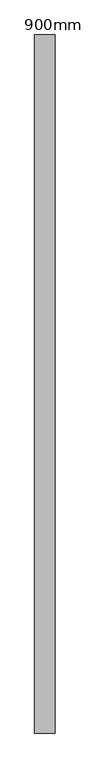
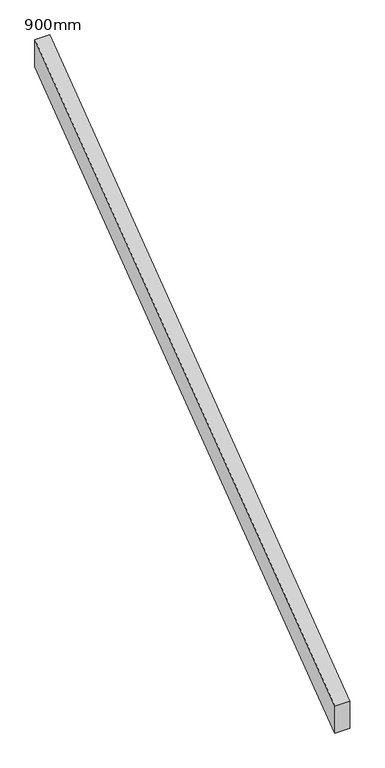
"""IFC4 building model written with IfcOpenShell, lengths in millimetres: railing geometry, 900mm."""

from ifc_helpers import new_model, si_unit, frame, origin, place, context, project, spatial, polyline, outline, extrude, source, transform, mapped, element, save


def railing_900mm_bfc9b8b0(model_context):
    return source(origin(), model_context, "Body", "SweptSolid", [
        extrude(outline(polyline([(47632.3789291, 4357.25), (47632.3789291, 4452.5), (49382.3789291, 5765.0), (49382.3789291, 5669.75), (47632.3789291, 4357.25)])), frame((150864.7530841, 0.0, 0.0), z_axis=(1.0, 0.0, 0.0), x_axis=(0.0, 1.0, 0.0)), (0.0, 0.0, 1.0), 50.8),
    ])


if __name__ == "__main__":
    model = new_model("IFC4")
    model_context = context("Model", 3, world=origin())
    ifc_project = project(units=[si_unit("LENGTHUNIT", "METRE", prefix="MILLI")], contexts=[model_context])
    site = spatial("IfcSite", under=ifc_project)
    building = spatial("IfcBuilding", under=site)
    placement = place(None, origin())
    railing_900mm_shape = railing_900mm_bfc9b8b0(model_context)
    element("IfcRailing", 1, ObjectType="900mm", at=placement, inside=building, context=model_context, shape_type="MappedRepresentation", body=[
        mapped(railing_900mm_shape, transform((0.0, 0.0, 0.0), x_axis=(1.0, 0.0, 0.0), y_axis=(0.0, 1.0, 0.0), z_axis=(0.0, 0.0, 1.0))),
    ])
    save(model, "model.ifc")
